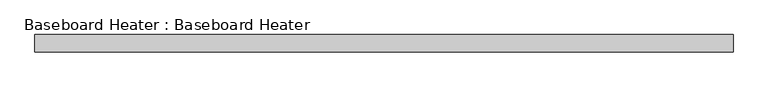
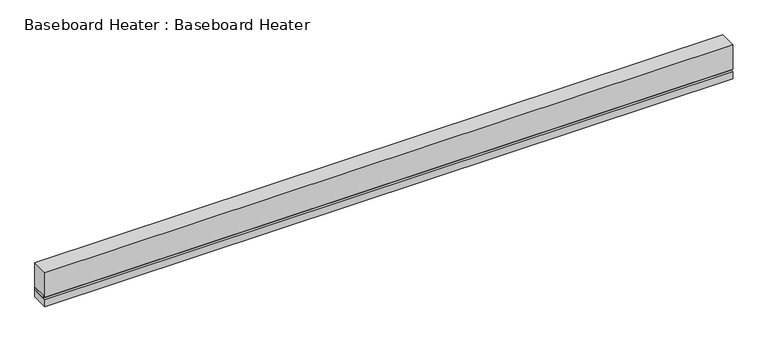
"""IFC4 building model written with IfcOpenShell, lengths in millimetres: proxy geometry, Baseboard Heater : Baseboard Heater."""

import ifcopenshell
import ifcopenshell.guid

model = None  # the IFC model being written
_history = None  # IfcOwnerHistory: only IFC2X3 demands one
_inside = {}  # id of a spatial element -> (the spatial element, [elements in it])
_under = {}  # id of a project, library or spatial element -> (it, [spatial elements below it])
_declared = {}  # id of a project -> (the project, [libraries it declares])
_typed = {}  # id of a type object -> (the type object, [elements of that type])
_made_of = {}  # id of a material, layer set ... -> (it, [elements and type objects made of it])


def new_model(schema):
    """Start an empty IFC model of exactly this schema.

    Asked for "IFC4X3", IfcOpenShell would pick the latest addendum, in which some entities
    have other attributes; the version numbers below select the first issue.
    IFC2X3 requires an IfcOwnerHistory on every rooted entity: one is made here for all.
    """
    global model, _history
    if schema == "IFC4X3":
        model = ifcopenshell.file(schema_version=(4, 3, 0, 0))
    else:
        model = ifcopenshell.file(schema=schema)
    _inside.clear()
    _under.clear()
    _declared.clear()
    _typed.clear()
    _made_of.clear()
    _history = None
    if model.schema == "IFC2X3":
        org = make("IfcOrganization", Name="unknown")
        user = make(
            "IfcPersonAndOrganization",
            ThePerson=make("IfcPerson", FamilyName="unknown"),
            TheOrganization=org,
        )
        app = make(
            "IfcApplication",
            ApplicationDeveloper=org,
            Version="unknown",
            ApplicationFullName="unknown",
            ApplicationIdentifier="unknown",
        )
        _history = make(
            "IfcOwnerHistory",
            OwningUser=user,
            OwningApplication=app,
            ChangeAction="ADDED",
            CreationDate=0,
        )
    return model


def make(cls, **values):
    """One entity of the class cls with the attributes given. An attribute that is None is left unset."""
    return model.create_entity(
        cls, **{name: value for name, value in values.items() if value is not None}
    )


def rooted(cls, **values):
    """An entity with a GlobalId (a new one), such as an element, a storey or a relation."""
    return make(cls, GlobalId=ifcopenshell.guid.new(), OwnerHistory=_history, **values)


def si_unit(unit_type, name, prefix=None):
    """IfcSIUnit, for example si_unit("LENGTHUNIT", "METRE", prefix="MILLI")."""
    return make("IfcSIUnit", UnitType=unit_type, Prefix=prefix, Name=name)


def assignment(units):
    """IfcUnitAssignment: the units of a project."""
    return None if units is None else make("IfcUnitAssignment", Units=units)


def point(xyz):
    """IfcCartesianPoint."""
    return None if xyz is None else make("IfcCartesianPoint", Coordinates=xyz)


def direction(xyz):
    """IfcDirection."""
    return None if xyz is None else make("IfcDirection", DirectionRatios=xyz)


def frame(location, z_axis=None, x_axis=None):
    """IfcAxis2Placement3D, a coordinate frame: its origin and axes. An axis left out is left unset."""
    return make(
        "IfcAxis2Placement3D",
        Location=point(location),
        Axis=direction(z_axis),
        RefDirection=direction(x_axis),
    )


def origin():
    """The frame at (0, 0, 0) with its axes left unset."""
    return frame((0.0, 0.0, 0.0))


def origin_with_axes():
    """The frame at (0, 0, 0) with the z axis (0, 0, 1) and the x axis (1, 0, 0) written out."""
    return frame((0.0, 0.0, 0.0), z_axis=(0.0, 0.0, 1.0), x_axis=(1.0, 0.0, 0.0))


def place(relative_to, where):
    """IfcLocalPlacement: puts the frame where relative to a parent placement (None: the world)."""
    return make(
        "IfcLocalPlacement", PlacementRelTo=relative_to, RelativePlacement=where
    )


def context(
    kind, dimensions, precision=None, world=None, true_north=None, identifier=None
):
    """IfcGeometricRepresentationContext, for example the 3D "Model" context."""
    return make(
        "IfcGeometricRepresentationContext",
        ContextIdentifier=identifier,
        ContextType=kind,
        CoordinateSpaceDimension=dimensions,
        Precision=precision,
        WorldCoordinateSystem=world,
        TrueNorth=true_north,
    )


def project(units=None, contexts=None):
    """IfcProject with its units and contexts."""
    return rooted(
        "IfcProject",
        Name="project",
        RepresentationContexts=contexts,
        UnitsInContext=assignment(units),
    )


def spatial(cls, under=None, at=None, **own):
    """A site, building, storey or space (cls), placed at a placement, below another one or the project."""
    s = rooted(cls, ObjectPlacement=at, **own)
    if under is not None:
        _under.setdefault(under.id(), (under, []))[1].append(s)
    return s


def polyline(points):
    """IfcPolyline through the points."""
    return make("IfcPolyline", Points=[point(p) for p in points])


def outline(outer, holes=None, kind="AREA"):
    """IfcArbitraryClosedProfileDef: a profile drawn as a closed curve; with holes, ...WithVoids."""
    if holes is None:
        return make("IfcArbitraryClosedProfileDef", ProfileType=kind, OuterCurve=outer)
    return make(
        "IfcArbitraryProfileDefWithVoids",
        ProfileType=kind,
        OuterCurve=outer,
        InnerCurves=holes,
    )


def extrude(swept, where, along, depth):
    """IfcExtrudedAreaSolid: the profile swept, set in the frame where, extruded along a direction by depth."""
    return make(
        "IfcExtrudedAreaSolid",
        SweptArea=swept,
        Position=where,
        ExtrudedDirection=direction(along),
        Depth=depth,
    )


def shape(context_of_items, identifier, shape_type, items):
    """IfcShapeRepresentation: the items that make up one representation, for example the "Body"."""
    return make(
        "IfcShapeRepresentation",
        ContextOfItems=context_of_items,
        RepresentationIdentifier=identifier,
        RepresentationType=shape_type,
        Items=items,
    )


def source(mapping_origin, context_of_items, identifier, shape_type, items):
    """IfcRepresentationMap: a shape defined once, which mapped items show again and again."""
    return make(
        "IfcRepresentationMap",
        MappingOrigin=mapping_origin,
        MappedRepresentation=shape(context_of_items, identifier, shape_type, items),
    )


def transform(
    local_origin,
    x_axis=None,
    y_axis=None,
    z_axis=None,
    scale=None,
    scale2=None,
    scale3=None,
    uniform=True,
):
    """IfcCartesianTransformationOperator3D, or its non-uniform kind. x_axis, y_axis, z_axis: its Axis1, 2, 3."""
    if uniform:
        return make(
            "IfcCartesianTransformationOperator3D",
            Axis1=direction(x_axis),
            Axis2=direction(y_axis),
            LocalOrigin=point(local_origin),
            Scale=scale,
            Axis3=direction(z_axis),
        )
    return make(
        "IfcCartesianTransformationOperator3DnonUniform",
        Axis1=direction(x_axis),
        Axis2=direction(y_axis),
        LocalOrigin=point(local_origin),
        Scale=scale,
        Axis3=direction(z_axis),
        Scale2=scale2,
        Scale3=scale3,
    )


def mapped(mapping_source, mapping_target):
    """IfcMappedItem: shows the shape of a source again, moved by a transform."""
    return make(
        "IfcMappedItem", MappingSource=mapping_source, MappingTarget=mapping_target
    )


def made_of(thing, what):
    """Note that an element or type object is made of a material, layer set ...; save() writes the relation."""
    if what is not None:
        _made_of.setdefault(what.id(), (what, []))[1].append(thing)
    return thing


def element(
    cls,
    number,
    at=None,
    inside=None,
    cuts=None,
    type_object=None,
    material=None,
    context=None,
    identifier="Body",
    shape_type=None,
    held_by="IfcProductDefinitionShape",
    body=None,
    shapes=None,
    **own,
):
    """One element of the class cls, such as IfcWall. Its Tag is "e" and its number.

    at: its placement. inside: the storey or other place that contains it. cuts: it is an
    opening in that element (IfcRelVoidsElement). A single representation is given by context,
    identifier, shape_type and body (its items); several are given by shapes. held_by: the class
    of the entity that holds the representations. save() writes the other relations.
    """
    e = rooted(cls, Tag="e%d" % number, ObjectPlacement=at, **own)
    if body is not None:
        shapes = [shape(context, identifier, shape_type, body)]
    if shapes is not None:
        e.Representation = make(held_by, Representations=shapes)
    if inside is not None:
        _inside.setdefault(inside.id(), (inside, []))[1].append(e)
    if cuts is not None:
        rooted(
            "IfcRelVoidsElement", RelatingBuildingElement=cuts, RelatedOpeningElement=e
        )
    if type_object is not None:
        _typed.setdefault(type_object.id(), (type_object, []))[1].append(e)
    return made_of(e, material)


def aggregate(whole, parts):
    """IfcRelAggregates: a whole, such as a stair, and the parts it consists of."""
    return rooted("IfcRelAggregates", RelatingObject=whole, RelatedObjects=parts)


def save(model, path):
    """Write the relations noted so far, then the file.

    IfcRelAggregates (storeys below a building ...), IfcRelContainedInSpatialStructure (elements
    in a storey), IfcRelDefinesByType, IfcRelAssociatesMaterial and IfcRelDeclares: one each for
    every whole, place, type object, material and project.
    """
    for whole, parts in _under.values():
        aggregate(whole, parts)
    for where, things in _inside.values():
        rooted(
            "IfcRelContainedInSpatialStructure",
            RelatedElements=things,
            RelatingStructure=where,
        )
    for kind, things in _typed.values():
        rooted("IfcRelDefinesByType", RelatedObjects=things, RelatingType=kind)
    for what, things in _made_of.values():
        rooted("IfcRelAssociatesMaterial", RelatedObjects=things, RelatingMaterial=what)
    for by, libraries in _declared.values():
        rooted("IfcRelDeclares", RelatingContext=by, RelatedDefinitions=libraries)
    model.write(path)


def baseboard_heater_baseboard_heater_334b2f5d(model_context):
    return source(origin(), model_context, "Body", "SweptSolid", [
        extrude(outline(polyline([(3048.0, 0.0), (-3048.0, 0.0), (-3048.0, 152.4), (3048.0, 152.4), (3048.0, 0.0)])), origin_with_axes(), (0.0, 0.0, 1.0), 63.5),
        extrude(outline(polyline([(3048.0, 25.4), (-3048.0, 25.4), (-3048.0, 152.4), (3048.0, 152.4), (3048.0, 25.4)])), frame((0.0, 0.0, 63.5), z_axis=(0.0, 0.0, 1.0), x_axis=(1.0, 0.0, 0.0)), (0.0, 0.0, 1.0), 25.4),
        extrude(outline(polyline([(3048.0, 0.0), (-3048.0, 0.0), (-3048.0, 152.4), (3048.0, 152.4), (3048.0, 0.0)])), frame((0.0, 0.0, 88.9), z_axis=(0.0, 0.0, 1.0), x_axis=(1.0, 0.0, 0.0)), (0.0, 0.0, 1.0), 228.6),
    ])


if __name__ == "__main__":
    model = new_model("IFC4")
    model_context = context("Model", 3, world=origin())
    ifc_project = project(units=[si_unit("LENGTHUNIT", "METRE", prefix="MILLI")], contexts=[model_context])
    site = spatial("IfcSite", under=ifc_project)
    building = spatial("IfcBuilding", under=site)
    placement = place(None, origin())
    baseboard_heater_baseboard_heater_shape = baseboard_heater_baseboard_heater_334b2f5d(model_context)
    element("IfcBuildingElementProxy", 1, Name="Baseboard Heater : Baseboard Heater", ObjectType="Baseboard Heater : Baseboard Heater", at=placement, inside=building, context=model_context, shape_type="MappedRepresentation", body=[
        mapped(baseboard_heater_baseboard_heater_shape, transform((0.0, 0.0, 0.0), x_axis=(1.0, 0.0, 0.0), y_axis=(0.0, 1.0, 0.0), z_axis=(0.0, 0.0, 1.0))),
    ])
    save(model, "model.ifc")
